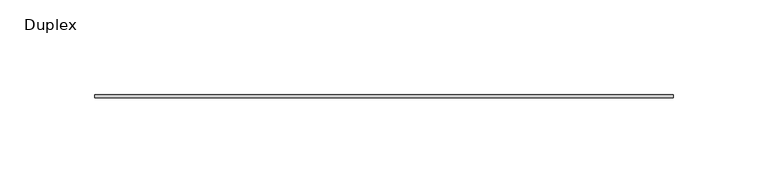
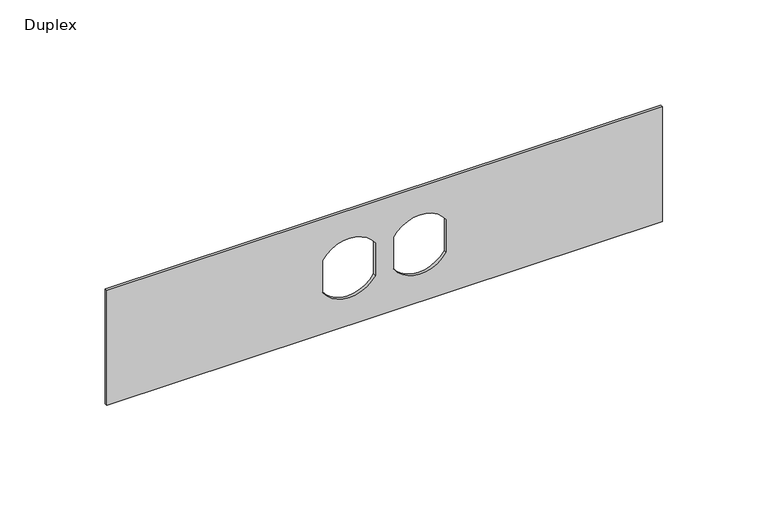
"""IFC4 building model written with IfcOpenShell, lengths in millimetres: furniture geometry, Duplex."""

from ifc_helpers import new_model, si_unit, point, frame, frame_2d, origin, place, context, project, spatial, polyline, circle_curve, trimmed, segment, composite_curve, outline, extrude, source, transform, mapped, element, save


def duplex_38545046(model_context):
    return source(origin(), model_context, "Body", "SweptSolid", [
        extrude(outline(polyline([(1085.85, 171.1377049), (1085.85, -133.6622951), (1019.175, -133.6622951), (1019.175, 171.1377049), (1085.85, 171.1377049)]), holes=[composite_curve([segment(polyline([(1061.8390625, 13.6775487), (1043.2134118, 13.6775487)]), True, "CONTINUOUS"), segment(trimmed(circle_curve(frame_2d((1052.5125, -0.7091701)), 17.1304033), [point((1043.2134118, 13.6775487))], [point((1043.0616767, -14.9966701))], True, "CARTESIAN"), True, "CONTINUOUS"), segment(polyline([(1043.0616767, -14.9966701), (1061.8390625, -14.9966701)]), True, "CONTINUOUS"), segment(trimmed(circle_curve(frame_2d((1052.4636685, -0.6595607)), 17.1304033), [point((1061.8390625, -14.9966701))], [point((1061.8390625, 13.6775487))], True, "CARTESIAN"), True, "CONTINUOUS")], self_intersect=False), composite_curve([segment(trimmed(circle_curve(frame_2d((1052.5125, 38.1845799)), 17.1304033), [point((1061.8115882, 23.7978612))], [point((1061.9633233, 52.4720799))], True, "CARTESIAN"), True, "CONTINUOUS"), segment(polyline([(1061.9633233, 52.4720799), (1043.0616767, 52.4720799)]), True, "CONTINUOUS"), segment(trimmed(circle_curve(frame_2d((1052.5125, 38.1845799)), 17.1304033), [point((1043.0616767, 52.4720799))], [point((1043.2134118, 23.7978612))], True, "CARTESIAN"), True, "CONTINUOUS"), segment(polyline([(1043.2134118, 23.7978612), (1061.8115882, 23.7978612)]), True, "CONTINUOUS")], self_intersect=False)]), frame((0.0, -1.5875, 0.0), z_axis=(0.0, 1.0, 0.0), x_axis=(0.0, 0.0, 1.0)), (0.0, 0.0, 1.0), 1.5875),
    ])


if __name__ == "__main__":
    model = new_model("IFC4")
    model_context = context("Model", 3, world=origin())
    ifc_project = project(units=[si_unit("LENGTHUNIT", "METRE", prefix="MILLI")], contexts=[model_context])
    site = spatial("IfcSite", under=ifc_project)
    building = spatial("IfcBuilding", under=site)
    placement = place(None, origin())
    duplex_shape = duplex_38545046(model_context)
    element("IfcFurniture", 1, ObjectType="Duplex", at=placement, inside=building, context=model_context, shape_type="MappedRepresentation", body=[
        mapped(duplex_shape, transform((0.0, 0.0, 0.0), x_axis=(1.0, 0.0, 0.0), y_axis=(0.0, 1.0, 0.0), z_axis=(0.0, 0.0, 1.0))),
    ])
    save(model, "model.ifc")
